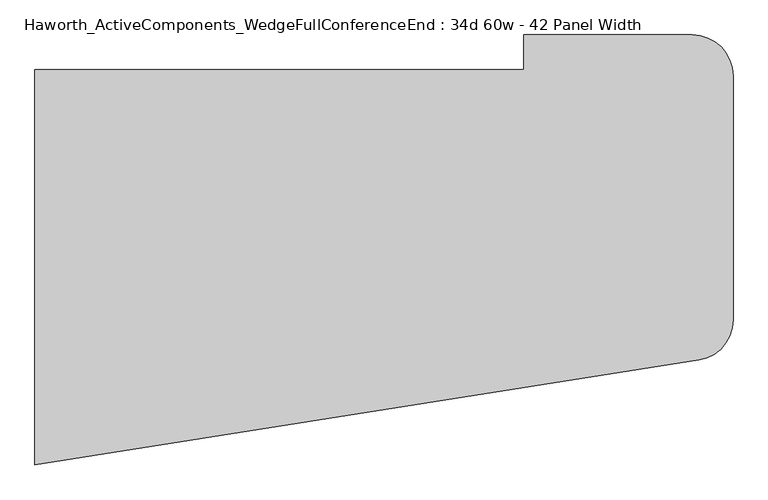
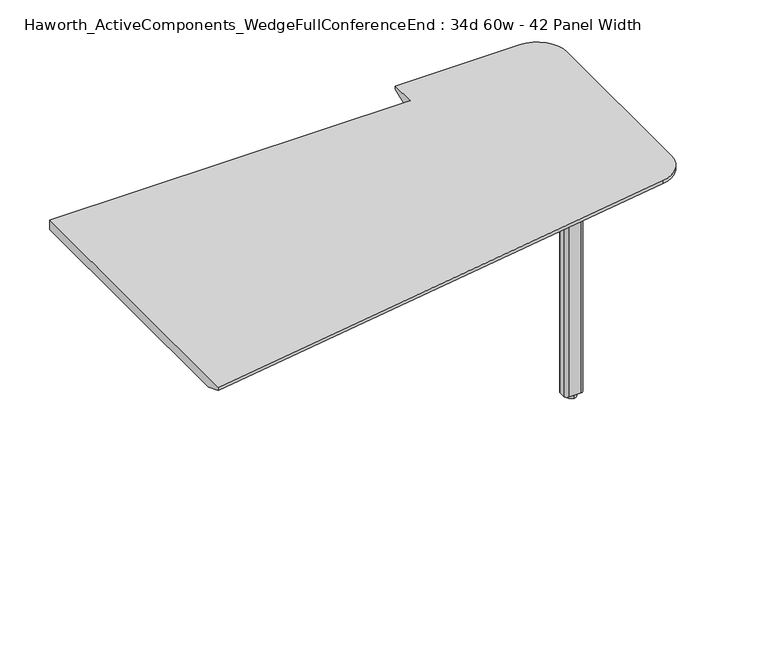
"""IFC4 building model written with IfcOpenShell, lengths in millimetres: furniture geometry, Haworth_ActiveComponents_WedgeFullConferenceEnd : 34d 60w - 42 Panel Width."""

from ifc_helpers import new_model, si_unit, point, frame, frame_2d, origin, origin_with_axes, place, context, project, spatial, polyline, circle_curve, trimmed, segment, composite_curve, outline, extrude, source, transform, mapped, element, save
from ifc_brep_helpers import plane_surface, cylinder_surface, revolved_surface, advanced_brep


def haworth_activecomponents_wedgefullconferenceend_34d_60w_42_65b6a46a(model_context):
    return source(origin(), model_context, "Body", "SolidModel", [
        extrude(outline(composite_curve([segment(trimmed(circle_curve(frame_2d((910.43125, -133.0784766)), 9.525), [point((900.90625, -133.0784766))], [point((910.43125, -123.5534766))], False, "CARTESIAN"), True, "CONTINUOUS"), segment(polyline([(910.43125, -123.5534766), (1043.78125, -123.5534766)]), True, "CONTINUOUS"), segment(trimmed(circle_curve(frame_2d((1043.78125, -133.0784766)), 9.525), [point((1043.78125, -123.5534766))], [point((1053.30625, -133.0784766))], False, "CARTESIAN"), True, "CONTINUOUS"), segment(polyline([(1053.30625, -133.0784766), (1053.30625, -266.4284766)]), True, "CONTINUOUS"), segment(trimmed(circle_curve(frame_2d((1043.78125, -266.4284766)), 9.525), [point((1053.30625, -266.4284766))], [point((1043.78125, -275.9534766))], False, "CARTESIAN"), True, "CONTINUOUS"), segment(polyline([(1043.78125, -275.9534766), (910.43125, -275.9534766)]), True, "CONTINUOUS"), segment(trimmed(circle_curve(frame_2d((910.43125, -266.4284766)), 9.525), [point((910.43125, -275.9534766))], [point((900.90625, -266.4284766))], False, "CARTESIAN"), True, "CONTINUOUS"), segment(polyline([(900.90625, -266.4284766), (900.90625, -133.0784766)]), True, "CONTINUOUS")], self_intersect=False)), frame((0.0, 0.0, 706.4375), z_axis=(0.0, 0.0, 1.0), x_axis=(1.0, 0.0, 0.0)), (0.0, 0.0, 1.0), 4.7625),
        extrude(outline(composite_curve([segment(trimmed(circle_curve(frame_2d((977.10625, -199.7534766)), 13.6023831), [point((977.10625, -213.3558596))], [point((977.10625, -186.1510935))], False, "CARTESIAN"), True, "CONTINUOUS"), segment(trimmed(circle_curve(frame_2d((977.10625, -199.7534766)), 13.6023831), [point((977.10625, -186.1510935))], [point((977.10625, -213.3558596))], False, "CARTESIAN"), True, "CONTINUOUS")], self_intersect=False)), origin_with_axes(), (0.0, 0.0, 1.0), 12.7),
        extrude(outline(composite_curve([segment(trimmed(circle_curve(frame_2d((958.85, -191.8159766)), 9.525), [point((949.325, -191.8159766))], [point((958.85, -182.2909766))], False, "CARTESIAN"), True, "CONTINUOUS"), segment(polyline([(958.85, -182.2909766), (995.3625, -182.2909766)]), True, "CONTINUOUS"), segment(trimmed(circle_curve(frame_2d((995.3625, -191.8159766)), 9.525), [point((995.3625, -182.2909766))], [point((1004.8875, -191.8159766))], False, "CARTESIAN"), True, "CONTINUOUS"), segment(polyline([(1004.8875, -191.8159766), (1004.8875, -207.6909766)]), True, "CONTINUOUS"), segment(trimmed(circle_curve(frame_2d((995.3625, -207.6909766)), 9.525), [point((1004.8875, -207.6909766))], [point((995.3625, -217.2159766))], False, "CARTESIAN"), True, "CONTINUOUS"), segment(polyline([(995.3625, -217.2159766), (958.85, -217.2159766)]), True, "CONTINUOUS"), segment(trimmed(circle_curve(frame_2d((958.85, -207.6909766)), 9.525), [point((958.85, -217.2159766))], [point((949.325, -207.6909766))], False, "CARTESIAN"), True, "CONTINUOUS"), segment(polyline([(949.325, -207.6909766), (949.325, -191.8159766)]), True, "CONTINUOUS")], self_intersect=False)), frame((0.0, 0.0, 12.7), z_axis=(0.0, 0.0, 1.0), x_axis=(1.0, 0.0, 0.0)), (0.0, 0.0, 1.0), 693.7375),
        advanced_brep(
        [(749.3, 232.0465234, 741.3625), (-317.5, 232.0465234, 741.3625), (-317.5, -631.5534766, 741.3625), (1131.5070239, -402.05331, 741.3625), (1206.5, -314.2478166, 741.3625), (1206.5, 219.3465234, 741.3625), (1117.6, 308.2465234, 741.3625), (749.3, 308.2465234, 741.3625), (-317.5, 232.0465234, 711.2), (749.3, 232.0465234, 711.2), (749.3, 257.4465234, 711.2), (1117.6, 257.4465234, 711.2), (1155.7, 219.3465234, 711.2), (1155.7, -314.2478166, 711.2), (1123.5601531, -351.8787423, 711.2), (-317.5, -580.1202482, 711.2), (-317.5, -631.5534766, 731.8375), (1206.5, -314.2478166, 731.8375), (1206.5, 219.3465234, 731.8375), (1117.6, 308.2465234, 731.8375), (749.3, 308.2465234, 731.8375), (1131.5070239, -402.05331, 731.8375)],
        [
            (0, 1),
            (1, 2),
            (2, 3),
            (3, 4, circle_curve(frame((1117.6, -314.2478166, 741.3625), z_axis=(0.0, 0.0, 1.0), x_axis=(1.0, 0.0, 0.0)), 88.9)),
            (4, 5),
            (5, 6, circle_curve(frame((1117.6, 219.3465234, 741.3625), z_axis=(0.0, 0.0, 1.0), x_axis=(1.0, 0.0, 0.0)), 88.9)),
            (6, 7),
            (7, 0),
            (8, 9),
            (9, 10),
            (10, 11),
            (11, 12, circle_curve(frame((1117.6, 219.3465234, 711.2), z_axis=(0.0, 0.0, -1.0), x_axis=(1.0, 0.0, 0.0)), 38.1)),
            (12, 13),
            (13, 14, circle_curve(frame((1117.6, -314.2478166, 711.2), z_axis=(0.0, 0.0, -1.0), x_axis=(0.1564344650402228, -0.987688340595139, 0.0)), 38.1)),
            (14, 15),
            (15, 8),
            (0, 9),
            (8, 1),
            (15, 16),
            (16, 2),
            (4, 17),
            (17, 18),
            (18, 5),
            (6, 19),
            (19, 20),
            (20, 7),
            (20, 10),
            (18, 19, circle_curve(frame((1117.6, 219.3465234, 731.8375), z_axis=(0.0, 0.0, 1.0), x_axis=(1.0, 0.0, 0.0)), 88.9)),
            (16, 21),
            (21, 3),
            (21, 17, circle_curve(frame((1117.6, -314.2478166, 731.8375), z_axis=(0.0, 0.0, 1.0), x_axis=(1.0, 0.0, 0.0)), 88.9)),
            (14, 21),
            (13, 17),
            (12, 18),
            (11, 19),
        ],
        [
            plane_surface(frame((-317.5, 232.0465234, 741.3625), z_axis=(0.0, 0.0, 1.0), x_axis=(-1.0, 0.0, 0.0))),
            plane_surface(frame((-317.5, 232.0465234, 711.2), z_axis=(0.0, 0.0, -1.0), x_axis=(1.0, 0.0, 0.0))),
            plane_surface(frame((749.3, 232.0465234, 741.3625), z_axis=(0.0, 1.0, 0.0), x_axis=(0.0, 0.0, -1.0))),
            plane_surface(frame((-317.5, 232.0465234, 741.3625), z_axis=(-1.0, 0.0, 0.0), x_axis=(0.0, 0.0, -1.0))),
            plane_surface(frame((1206.5, -314.2478166, 741.3625), z_axis=(1.0, 0.0, 0.0), x_axis=(0.0, 0.0, -1.0))),
            plane_surface(frame((1117.6, 308.2465234, 741.3625), z_axis=(0.0, 1.0, 0.0), x_axis=(0.0, 0.0, -1.0))),
            plane_surface(frame((749.3, 308.2465234, 741.3625), z_axis=(-1.0, 0.0, 0.0), x_axis=(0.0, 0.0, -1.0))),
            cylinder_surface(frame((1117.6, 219.3465234, 711.2), z_axis=(0.0, 0.0, 1.0), x_axis=(1.0, 0.0, 0.0)), 88.9),
            plane_surface(frame((-317.5, -631.5534766, 741.3625), z_axis=(0.15643446504023384, -0.9876883405951372, 0.0), x_axis=(0.0, 0.0, -1.0))),
            cylinder_surface(frame((1117.6, -314.2478166, 711.2), z_axis=(0.0, 0.0, 1.0), x_axis=(1.0, 0.0, 0.0)), 88.9),
            plane_surface(frame((-317.5, -631.5534766, 731.8375), z_axis=(0.058878341994061396, -0.3717432209465532, -0.9264665771220851), x_axis=(0.9876883405951373, 0.1564344650402338, 0.0))),
            revolved_surface(polyline([(1123.5601531, -351.8787423, 711.2), (1131.5070239, -402.05331, 731.8375)]), (1117.6, -314.2478166, 741.3625), (0.0, 0.0, 1.0)),
            plane_surface(frame((1206.5, -314.2478166, 731.8375), z_axis=(0.3763770469564894, 0.0, -0.9264665771220852), x_axis=(0.0, 1.0, 0.0))),
            revolved_surface(polyline([(1155.7, 219.3465234, 711.2), (1206.5, 219.3465234, 731.8375)]), (1117.6, 219.3465234, 741.3625), (0.0, 0.0, 1.0)),
            plane_surface(frame((1117.6, 308.2465234, 731.8375), z_axis=(0.0, 0.3763770469564894, -0.9264665771220852), x_axis=(-1.0, 0.0, 0.0))),
        ],
        [
            (0, [[1, 2, 3, 4, 5, 6, 7, 8]]),
            (1, [[9, 10, 11, 12, 13, 14, 15, 16]]),
            (2, [[-1, 17, -9, 18]]),
            (3, [[-2, -18, -16, 19, 20]]),
            (4, [[-5, 21, 22, 23]]),
            (5, [[-7, 24, 25, 26]]),
            (6, [[-8, -26, 27, -10, -17]]),
            (7, [[-6, -23, 28, -24]]),
            (8, [[-3, -20, 29, 30]]),
            (9, [[-4, -30, 31, -21]]),
            (10, [[32, -29, -19, -15]]),
            (11, [[-32, -14, 33, -31]]),
            (12, [[-33, -13, 34, -22]]),
            (13, [[-34, -12, 35, -28]]),
            (14, [[-35, -11, -27, -25]]),
        ],
    ),
    ])


if __name__ == "__main__":
    model = new_model("IFC4")
    model_context = context("Model", 3, world=origin())
    ifc_project = project(units=[si_unit("LENGTHUNIT", "METRE", prefix="MILLI")], contexts=[model_context])
    site = spatial("IfcSite", under=ifc_project)
    building = spatial("IfcBuilding", under=site)
    placement = place(None, origin())
    haworth_activecomponents_wedgefullconferenceend_34d_60w_42_shape = haworth_activecomponents_wedgefullconferenceend_34d_60w_42_65b6a46a(model_context)
    element("IfcFurniture", 1, ObjectType="Haworth_ActiveComponents_WedgeFullConferenceEnd : 34d 60w - 42 Panel Width", at=placement, inside=building, context=model_context, shape_type="MappedRepresentation", body=[
        mapped(haworth_activecomponents_wedgefullconferenceend_34d_60w_42_shape, transform((0.0, 0.0, 0.0), x_axis=(1.0, 0.0, 0.0), y_axis=(0.0, 1.0, 0.0), z_axis=(0.0, 0.0, 1.0))),
    ])
    save(model, "model.ifc")
